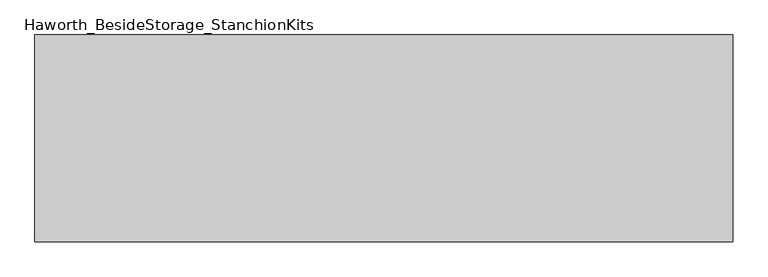
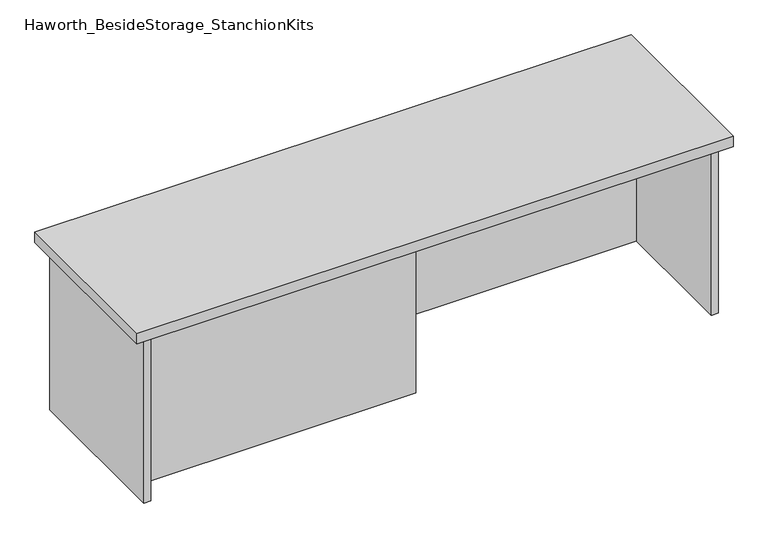
"""IFC4 building model written with IfcOpenShell, lengths in millimetres: furniture geometry, Haworth_BesideStorage_StanchionKits."""

from ifc_helpers import new_model, si_unit, frame, origin, place, context, project, spatial, polyline, outline, extrude, source, transform, mapped, element, save


def haworth_besidestorage_stanchionkits_607eef94(model_context):
    return source(origin(), model_context, "Body", "SweptSolid", [
        extrude(outline(polyline([(847.725, 0.0), (847.725, -406.4), (-523.875, -406.4), (-523.875, 0.0), (847.725, 0.0)])), frame((0.0, 0.0, 838.2), z_axis=(0.0, 0.0, 1.0), x_axis=(1.0, 0.0, 0.0)), (0.0, 0.0, 1.0), 25.4),
        extrude(outline(polyline([(161.925, -76.2), (806.45, -76.2), (806.45, -92.075), (161.925, -92.075), (161.925, -76.2)])), frame((0.0, 0.0, 431.8), z_axis=(0.0, 0.0, 1.0), x_axis=(1.0, 0.0, 0.0)), (0.0, 0.0, 1.0), 406.4),
        extrude(outline(polyline([(161.925, -314.325), (161.925, -330.2), (-482.6, -330.2), (-482.6, -314.325), (161.925, -314.325)])), frame((0.0, 0.0, 431.8), z_axis=(0.0, 0.0, 1.0), x_axis=(1.0, 0.0, 0.0)), (0.0, 0.0, 1.0), 406.4),
        extrude(outline(polyline([(822.325, -390.525), (806.45, -390.525), (806.45, -15.875), (822.325, -15.875), (822.325, -390.525)])), frame((0.0, 0.0, 431.8), z_axis=(0.0, 0.0, 1.0), x_axis=(1.0, 0.0, 0.0)), (0.0, 0.0, 1.0), 406.4),
        extrude(outline(polyline([(-482.6, -390.525), (-498.475, -390.525), (-498.475, -15.875), (-482.6, -15.875), (-482.6, -390.525)])), frame((0.0, 0.0, 431.8), z_axis=(0.0, 0.0, 1.0), x_axis=(1.0, 0.0, 0.0)), (0.0, 0.0, 1.0), 406.4),
    ])


if __name__ == "__main__":
    model = new_model("IFC4")
    model_context = context("Model", 3, world=origin())
    ifc_project = project(units=[si_unit("LENGTHUNIT", "METRE", prefix="MILLI")], contexts=[model_context])
    site = spatial("IfcSite", under=ifc_project)
    building = spatial("IfcBuilding", under=site)
    placement = place(None, origin())
    haworth_besidestorage_stanchionkits_shape = haworth_besidestorage_stanchionkits_607eef94(model_context)
    element("IfcFurniture", 1, ObjectType="Haworth_BesideStorage_StanchionKits", at=placement, inside=building, context=model_context, shape_type="MappedRepresentation", body=[
        mapped(haworth_besidestorage_stanchionkits_shape, transform((0.0, 0.0, 0.0), x_axis=(1.0, 0.0, 0.0), y_axis=(0.0, 1.0, 0.0), z_axis=(0.0, 0.0, 1.0))),
    ])
    save(model, "model.ifc")
